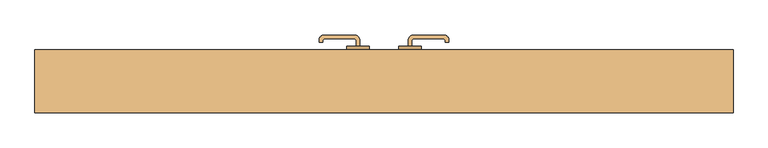
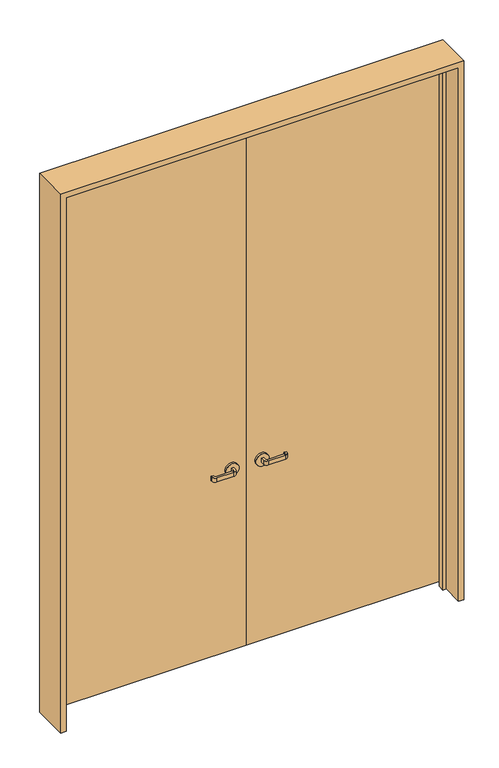
"""IFC4 building model written with IfcOpenShell, lengths in millimetres: door geometry."""

from ifc_helpers import new_model, si_unit, point, frame, frame_2d, origin, place, context, project, spatial, polyline, circle_curve, trimmed, segment, composite_curve, outline, extrude, faceted_brep, source, transform, mapped, element, save


def door_9dd2bf78(model_context):
    return source(origin(), model_context, "Body", "SolidModel", [
        extrude(outline(composite_curve([segment(polyline([(-65.0, 95.0), (-75.0, 95.0), (-75.0, 110.0)]), True, "CONTINUOUS"), segment(trimmed(circle_curve(frame_2d((-80.0, 110.0)), 5.0), [point((-75.0, 110.0))], [point((-80.0, 115.0))], True, "CARTESIAN"), True, "CONTINUOUS"), segment(polyline([(-80.0, 115.0), (-160.0, 115.0)]), True, "CONTINUOUS"), segment(trimmed(circle_curve(frame_2d((-160.0, 110.0)), 5.0), [point((-160.0, 115.0))], [point((-165.0, 110.0))], True, "CARTESIAN"), True, "CONTINUOUS"), segment(polyline([(-165.0, 110.0), (-165.0, 105.0), (-175.0, 105.0), (-175.0, 110.0)]), True, "CONTINUOUS"), segment(trimmed(circle_curve(frame_2d((-160.0, 110.0)), 15.0), [point((-175.0, 110.0))], [point((-160.0, 125.0))], False, "CARTESIAN"), True, "CONTINUOUS"), segment(polyline([(-160.0, 125.0), (-80.0, 125.0)]), True, "CONTINUOUS"), segment(trimmed(circle_curve(frame_2d((-80.0, 110.0)), 15.0), [point((-80.0, 125.0))], [point((-65.0, 110.0))], False, "CARTESIAN"), True, "CONTINUOUS"), segment(polyline([(-65.0, 110.0), (-65.0, 95.0)]), True, "CONTINUOUS")], self_intersect=False)), frame((0.0, 0.0, 895.0), z_axis=(0.0, 0.0, 1.0), x_axis=(1.0, 0.0, 0.0)), (0.0, 0.0, 1.0), 20.0),
        extrude(outline(composite_curve([segment(trimmed(circle_curve(frame_2d((905.0, -70.0)), 30.0), [point((905.0, -40.0))], [point((905.0, -100.0))], False, "CARTESIAN"), True, "CONTINUOUS"), segment(trimmed(circle_curve(frame_2d((905.0, -70.0)), 30.0), [point((905.0, -100.0))], [point((905.0, -40.0))], False, "CARTESIAN"), True, "CONTINUOUS")], self_intersect=False)), frame((0.0, 85.0, 0.0), z_axis=(0.0, 1.0, 0.0), x_axis=(0.0, 0.0, 1.0)), (0.0, 0.0, 1.0), 10.0),
        extrude(outline(composite_curve([segment(polyline([(-75.0, 35.0), (-65.0, 35.0), (-65.0, 20.0)]), True, "CONTINUOUS"), segment(trimmed(circle_curve(frame_2d((-80.0, 20.0)), 15.0), [point((-65.0, 20.0))], [point((-80.0, 5.0))], False, "CARTESIAN"), True, "CONTINUOUS"), segment(polyline([(-80.0, 5.0), (-160.0, 5.0)]), True, "CONTINUOUS"), segment(trimmed(circle_curve(frame_2d((-160.0, 20.0)), 15.0), [point((-160.0, 5.0))], [point((-175.0, 20.0))], False, "CARTESIAN"), True, "CONTINUOUS"), segment(polyline([(-175.0, 20.0), (-175.0, 25.0), (-165.0, 25.0), (-165.0, 20.0)]), True, "CONTINUOUS"), segment(trimmed(circle_curve(frame_2d((-160.0, 20.0)), 5.0), [point((-165.0, 20.0))], [point((-160.0, 15.0))], True, "CARTESIAN"), True, "CONTINUOUS"), segment(polyline([(-160.0, 15.0), (-80.0, 15.0)]), True, "CONTINUOUS"), segment(trimmed(circle_curve(frame_2d((-80.0, 20.0)), 5.0), [point((-80.0, 15.0))], [point((-75.0, 20.0))], True, "CARTESIAN"), True, "CONTINUOUS"), segment(polyline([(-75.0, 20.0), (-75.0, 35.0)]), True, "CONTINUOUS")], self_intersect=False)), frame((0.0, 0.0, 895.0), z_axis=(0.0, 0.0, 1.0), x_axis=(1.0, 0.0, 0.0)), (0.0, 0.0, 1.0), 20.0),
        extrude(outline(composite_curve([segment(trimmed(circle_curve(frame_2d((905.0, -70.0)), 30.0), [point((905.0, -40.0))], [point((905.0, -100.0))], False, "CARTESIAN"), True, "CONTINUOUS"), segment(trimmed(circle_curve(frame_2d((905.0, -70.0)), 30.0), [point((905.0, -100.0))], [point((905.0, -40.0))], False, "CARTESIAN"), True, "CONTINUOUS")], self_intersect=False)), frame((0.0, 35.0, 0.0), z_axis=(0.0, 1.0, 0.0), x_axis=(0.0, 0.0, 1.0)), (0.0, 0.0, 1.0), 10.0),
        extrude(outline(polyline([(0.0, 45.0), (-910.0, 45.0), (-910.0, 85.0), (0.0, 85.0), (0.0, 45.0)])), frame((0.0, 0.0, 10.0), z_axis=(0.0, 0.0, 1.0), x_axis=(1.0, 0.0, 0.0)), (0.0, 0.0, 1.0), 2600.0),
        extrude(outline(composite_curve([segment(polyline([(65.0, 35.0), (75.0, 35.0), (75.0, 20.0)]), True, "CONTINUOUS"), segment(trimmed(circle_curve(frame_2d((80.0, 20.0)), 5.0), [point((75.0, 20.0))], [point((80.0, 15.0))], True, "CARTESIAN"), True, "CONTINUOUS"), segment(polyline([(80.0, 15.0), (160.0, 15.0)]), True, "CONTINUOUS"), segment(trimmed(circle_curve(frame_2d((160.0, 20.0)), 5.0), [point((160.0, 15.0))], [point((165.0, 20.0))], True, "CARTESIAN"), True, "CONTINUOUS"), segment(polyline([(165.0, 20.0), (165.0, 25.0), (175.0, 25.0), (175.0, 20.0)]), True, "CONTINUOUS"), segment(trimmed(circle_curve(frame_2d((160.0, 20.0)), 15.0), [point((175.0, 20.0))], [point((160.0, 5.0))], False, "CARTESIAN"), True, "CONTINUOUS"), segment(polyline([(160.0, 5.0), (80.0, 5.0)]), True, "CONTINUOUS"), segment(trimmed(circle_curve(frame_2d((80.0, 20.0)), 15.0), [point((80.0, 5.0))], [point((65.0, 20.0))], False, "CARTESIAN"), True, "CONTINUOUS"), segment(polyline([(65.0, 20.0), (65.0, 35.0)]), True, "CONTINUOUS")], self_intersect=False)), frame((0.0, 0.0, 895.0), z_axis=(0.0, 0.0, 1.0), x_axis=(1.0, 0.0, 0.0)), (0.0, 0.0, 1.0), 20.0),
        extrude(outline(composite_curve([segment(trimmed(circle_curve(frame_2d((905.0, 70.0)), 30.0), [point((905.0, 40.0))], [point((905.0, 100.0))], False, "CARTESIAN"), True, "CONTINUOUS"), segment(trimmed(circle_curve(frame_2d((905.0, 70.0)), 30.0), [point((905.0, 100.0))], [point((905.0, 40.0))], False, "CARTESIAN"), True, "CONTINUOUS")], self_intersect=False)), frame((0.0, 35.0, 0.0), z_axis=(0.0, 1.0, 0.0), x_axis=(0.0, 0.0, 1.0)), (0.0, 0.0, 1.0), 10.0),
        extrude(outline(composite_curve([segment(polyline([(75.0, 95.0), (65.0, 95.0), (65.0, 110.0)]), True, "CONTINUOUS"), segment(trimmed(circle_curve(frame_2d((80.0, 110.0)), 15.0), [point((65.0, 110.0))], [point((80.0, 125.0))], False, "CARTESIAN"), True, "CONTINUOUS"), segment(polyline([(80.0, 125.0), (160.0, 125.0)]), True, "CONTINUOUS"), segment(trimmed(circle_curve(frame_2d((160.0, 110.0)), 15.0), [point((160.0, 125.0))], [point((175.0, 110.0))], False, "CARTESIAN"), True, "CONTINUOUS"), segment(polyline([(175.0, 110.0), (175.0, 105.0), (165.0, 105.0), (165.0, 110.0)]), True, "CONTINUOUS"), segment(trimmed(circle_curve(frame_2d((160.0, 110.0)), 5.0), [point((165.0, 110.0))], [point((160.0, 115.0))], True, "CARTESIAN"), True, "CONTINUOUS"), segment(polyline([(160.0, 115.0), (80.0, 115.0)]), True, "CONTINUOUS"), segment(trimmed(circle_curve(frame_2d((80.0, 110.0)), 5.0), [point((80.0, 115.0))], [point((75.0, 110.0))], True, "CARTESIAN"), True, "CONTINUOUS"), segment(polyline([(75.0, 110.0), (75.0, 95.0)]), True, "CONTINUOUS")], self_intersect=False)), frame((0.0, 0.0, 895.0), z_axis=(0.0, 0.0, 1.0), x_axis=(1.0, 0.0, 0.0)), (0.0, 0.0, 1.0), 20.0),
        extrude(outline(composite_curve([segment(trimmed(circle_curve(frame_2d((905.0, 70.0)), 30.0), [point((905.0, 40.0))], [point((905.0, 100.0))], False, "CARTESIAN"), True, "CONTINUOUS"), segment(trimmed(circle_curve(frame_2d((905.0, 70.0)), 30.0), [point((905.0, 100.0))], [point((905.0, 40.0))], False, "CARTESIAN"), True, "CONTINUOUS")], self_intersect=False)), frame((0.0, 85.0, 0.0), z_axis=(0.0, 1.0, 0.0), x_axis=(0.0, 0.0, 1.0)), (0.0, 0.0, 1.0), 10.0),
        extrude(outline(polyline([(910.0, 45.0), (0.0, 45.0), (0.0, 85.0), (910.0, 85.0), (910.0, 45.0)])), frame((0.0, 0.0, 10.0), z_axis=(0.0, 0.0, 1.0), x_axis=(1.0, 0.0, 0.0)), (0.0, 0.0, 1.0), 2600.0),
        faceted_brep([(-915.0, 85.0, -15.0), (-915.0, 45.0, -15.0), (-900.0, 45.0, -15.0), (-900.0, 15.0, -15.0), (-915.0, 15.0, -15.0), (-915.0, -85.0, -15.0), (-940.0, -85.0, -15.0), (-940.0, 85.0, -15.0), (-915.0, 85.0, 2615.0), (-915.0, 45.0, 2615.0), (915.0, 45.0, 2615.0), (915.0, 45.0, -15.0), (900.0, 45.0, -15.0), (900.0, 45.0, 2600.0), (-900.0, 45.0, 2600.0), (-900.0, 15.0, 2600.0), (900.0, 15.0, 2600.0), (900.0, 15.0, -15.0), (915.0, 15.0, -15.0), (915.0, 15.0, 2615.0), (-915.0, 15.0, 2615.0), (-915.0, -85.0, 2615.0), (915.0, -85.0, 2615.0), (915.0, -85.0, -15.0), (940.0, -85.0, -15.0), (940.0, -85.0, 2640.0), (-940.0, -85.0, 2640.0), (-940.0, 85.0, 2640.0), (940.0, 85.0, 2640.0), (940.0, 85.0, -15.0), (915.0, 85.0, -15.0), (915.0, 85.0, 2615.0)], [[[0, 1, 2, 3, 4, 5, 6, 7]], [[1, 0, 8, 9]], [[2, 1, 9, 10, 11, 12, 13, 14]], [[3, 2, 14, 15]], [[4, 3, 15, 16, 17, 18, 19, 20]], [[5, 4, 20, 21]], [[6, 5, 21, 22, 23, 24, 25, 26]], [[7, 6, 26, 27]], [[0, 7, 27, 28, 29, 30, 31, 8]], [[9, 8, 31, 10]], [[15, 14, 13, 16]], [[21, 20, 19, 22]], [[27, 26, 25, 28]], [[30, 29, 24, 23, 18, 17, 12, 11]], [[10, 31, 30, 11]], [[16, 13, 12, 17]], [[22, 19, 18, 23]], [[28, 25, 24, 29]]]),
    ])


if __name__ == "__main__":
    model = new_model("IFC4")
    model_context = context("Model", 3, world=origin())
    ifc_project = project(units=[si_unit("LENGTHUNIT", "METRE", prefix="MILLI")], contexts=[model_context])
    site = spatial("IfcSite", under=ifc_project)
    building = spatial("IfcBuilding", under=site)
    placement = place(None, origin())
    door_shape = door_9dd2bf78(model_context)
    element("IfcDoor", 1, at=placement, inside=building, context=model_context, shape_type="MappedRepresentation", body=[
        mapped(door_shape, transform((0.0, 0.0, 0.0), x_axis=(1.0, 0.0, 0.0), y_axis=(0.0, 1.0, 0.0), z_axis=(0.0, 0.0, 1.0))),
    ])
    save(model, "model.ifc")
